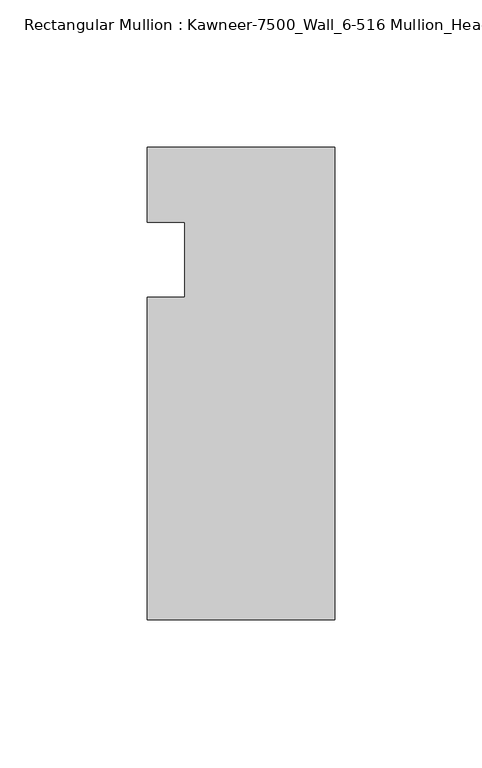
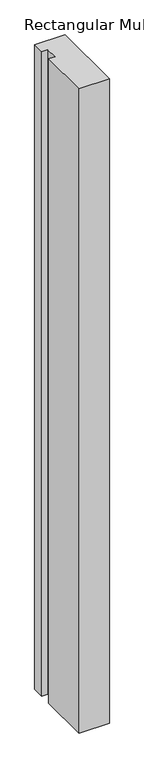
"""IFC4 building model written with IfcOpenShell, lengths in millimetres: member geometry, Rectangular Mullion : Kawneer-7500_Wall_6-516 Mullion_Head."""

from ifc_helpers import new_model, si_unit, frame, origin, place, context, project, spatial, polyline, outline, extrude, source, transform, mapped, element, save


def rectangular_mullion_kawneer_7500_wall_6_516_mullion_head_7c724990(model_context):
    return source(origin(), model_context, "Body", "SweptSolid", [
        extrude(outline(polyline([(-63.5, -122.2375), (-63.5, -12.7), (-50.7982296, -12.7), (-50.7982296, 12.7), (-63.5, 12.7), (-63.5, 38.1), (0.0, 38.1), (0.0, -122.2375), (-63.5, -122.2375)])), frame((0.0, 0.0, -1424.4155973), z_axis=(0.0, 0.0, 1.0), x_axis=(1.0, 0.0, 0.0)), (0.0, 0.0, 1.0), 1424.4155973),
    ])


if __name__ == "__main__":
    model = new_model("IFC4")
    model_context = context("Model", 3, world=origin())
    ifc_project = project(units=[si_unit("LENGTHUNIT", "METRE", prefix="MILLI")], contexts=[model_context])
    site = spatial("IfcSite", under=ifc_project)
    building = spatial("IfcBuilding", under=site)
    placement = place(None, origin())
    rectangular_mullion_kawneer_7500_wall_6_516_mullion_head_shape = rectangular_mullion_kawneer_7500_wall_6_516_mullion_head_7c724990(model_context)
    element("IfcMember", 1, ObjectType="Rectangular Mullion : Kawneer-7500_Wall_6-516 Mullion_Head", at=placement, inside=building, context=model_context, shape_type="MappedRepresentation", body=[
        mapped(rectangular_mullion_kawneer_7500_wall_6_516_mullion_head_shape, transform((0.0, 0.0, 0.0), x_axis=(1.0, 0.0, 0.0), y_axis=(0.0, 1.0, 0.0), z_axis=(0.0, 0.0, 1.0))),
    ])
    save(model, "model.ifc")
